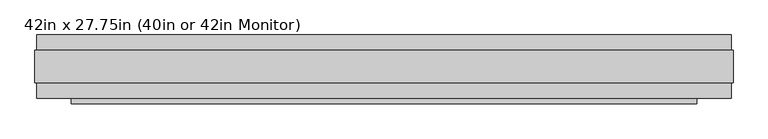
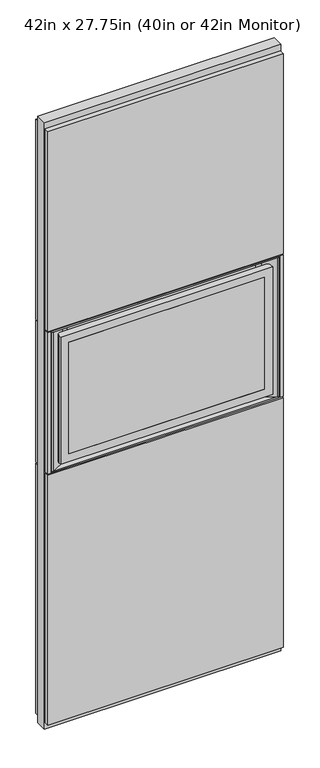
"""IFC4 building model written with IfcOpenShell, lengths in millimetres: plate geometry, 42in x 27.75in (40in or 42in Monitor)."""

from ifc_helpers import new_model, si_unit, point, frame, frame_2d, origin, place, context, project, spatial, polyline, circle_curve, trimmed, segment, composite_curve, outline, extrude, faceted_brep, source, transform, mapped, element, save
from ifc_brep_helpers import plane_surface, cylinder_surface, advanced_brep


def plate_42in_x_27_75in_40in_or_42in_monitor_01c89eb6(model_context):
    return source(origin(), model_context, "Body", "SolidModel", [
        advanced_brep(
        [(495.3, -44.7032, 1936.75), (480.06, -29.4632, 1936.75), (-480.06, -29.4632, 1936.75), (-495.3, -44.7032, 1936.75), (-495.3, -58.9272, 1936.75), (495.3, -58.9272, 1936.75), (495.3, -44.7032, 1308.1), (495.3, -58.9272, 1308.1), (-495.3, -58.9272, 1308.1), (-495.3, -44.7032, 1308.1), (-480.06, -29.4632, 1308.1), (480.06, -29.4632, 1308.1), (-457.2, -58.9272, 1346.2), (-457.2, -58.9272, 1898.65), (457.2, -58.9272, 1898.65), (457.2, -58.9272, 1346.2), (-457.2, -56.3872, 1898.65), (-457.2, -56.3872, 1346.2), (457.2, -56.3872, 1346.2), (457.2, -56.3872, 1898.65)],
        [
            (0, 1, circle_curve(frame((480.06, -44.7032, 1936.75), z_axis=(0.0, 0.0, 1.0), x_axis=(0.0, -1.0000000000000007, 0.0)), 15.24)),
            (1, 2),
            (2, 3, circle_curve(frame((-480.06, -44.7032, 1936.75), z_axis=(0.0, 0.0, 1.0), x_axis=(0.0, -1.0000000000000007, 0.0)), 15.24)),
            (3, 4),
            (4, 5),
            (5, 0),
            (6, 7),
            (7, 8),
            (8, 9),
            (9, 10, circle_curve(frame((-480.06, -44.7032, 1308.1), z_axis=(0.0, 0.0, -1.0), x_axis=(0.0, -1.0000000000000007, 0.0)), 15.24)),
            (10, 11),
            (11, 6, circle_curve(frame((480.06, -44.7032, 1308.1), z_axis=(0.0, 0.0, -1.0), x_axis=(0.0, -1.0000000000000007, 0.0)), 15.24)),
            (0, 6),
            (11, 1),
            (10, 2),
            (9, 3),
            (8, 4),
            (7, 5),
            (12, 13),
            (13, 14),
            (14, 15),
            (15, 12),
            (16, 17),
            (17, 18),
            (18, 19),
            (19, 16),
            (16, 13),
            (12, 17),
            (15, 18),
            (14, 19),
        ],
        [
            plane_surface(frame((480.06, -59.9432, 1936.75), z_axis=(0.0, 0.0, 1.0), x_axis=(1.0, 0.0, 0.0))),
            plane_surface(frame((480.06, -59.9432, 1308.1), z_axis=(0.0, 0.0, -1.0), x_axis=(-1.0, 0.0, 0.0))),
            cylinder_surface(frame((480.06, -44.7032, 1308.1), z_axis=(0.0, 0.0, 1.0), x_axis=(0.0, -1.0000000000000007, 0.0)), 15.24),
            plane_surface(frame((480.06, -29.4632, 1936.75), z_axis=(0.0, 1.0, 0.0), x_axis=(0.0, 0.0, -1.0))),
            cylinder_surface(frame((-480.06, -44.7032, 1308.1), z_axis=(0.0, 0.0, 1.0), x_axis=(0.0, -1.0000000000000007, 0.0)), 15.24),
            plane_surface(frame((-495.3, -44.7032, 1936.75), z_axis=(-1.0, 0.0, 0.0), x_axis=(0.0, 0.0, -1.0))),
            plane_surface(frame((-495.3, -58.9272, 1936.75), z_axis=(0.0, -1.0, 0.0), x_axis=(0.0, 0.0, -1.0))),
            plane_surface(frame((495.3, -58.9272, 1936.75), z_axis=(1.0, 0.0, 0.0), x_axis=(0.0, 0.0, -1.0))),
            plane_surface(frame((-457.2, -56.3872, 1898.65), z_axis=(0.0, -1.0, 0.0), x_axis=(0.0, 0.0, 1.0))),
            plane_surface(frame((-457.2, -58.9272, 1898.65), z_axis=(1.0, 0.0, 0.0), x_axis=(0.0, 1.0, 0.0))),
            plane_surface(frame((-457.2, -58.9272, 1346.2), z_axis=(0.0, 0.0, 1.0), x_axis=(0.0, 1.0, 0.0))),
            plane_surface(frame((457.2, -58.9272, 1346.2), z_axis=(-1.0, 0.0, 0.0), x_axis=(0.0, 1.0, 0.0))),
            plane_surface(frame((457.2, -58.9272, 1898.65), z_axis=(0.0, 0.0, -1.0), x_axis=(0.0, 1.0, 0.0))),
        ],
        [
            (0, [[1, 2, 3, 4, 5, 6]]),
            (1, [[7, 8, 9, 10, 11, 12]]),
            (2, [[-1, 13, -12, 14]]),
            (3, [[-2, -14, -11, 15]]),
            (4, [[-3, -15, -10, 16]]),
            (5, [[-4, -16, -9, 17]]),
            (6, [[-5, -17, -8, 18], [19, 20, 21, 22]]),
            (7, [[-6, -18, -7, -13]]),
            (8, [[23, 24, 25, 26]]),
            (9, [[-23, 27, -19, 28]]),
            (10, [[-24, -28, -22, 29]]),
            (11, [[-25, -29, -21, 30]]),
            (12, [[-26, -30, -20, -27]]),
        ],
    ),
        extrude(outline(polyline([(457.2, -58.9272), (-457.2, -58.9272), (-457.2, -56.3872), (457.2, -56.3872), (457.2, -58.9272)])), frame((0.0, 0.0, 1346.2), z_axis=(0.0, 0.0, 1.0), x_axis=(1.0, 0.0, 0.0)), (0.0, 0.0, 1.0), 552.45),
        extrude(outline(polyline([(-549.4401, -25.9961), (549.4401, -25.9961), (549.4401, -49.9991), (-549.4401, -49.9991), (-549.4401, -25.9961)])), frame((0.0, 0.0, 1977.8599), z_axis=(0.0, 0.0, 1.0), x_axis=(1.0, 0.0, 0.0)), (0.0, 0.0, 1.0), 987.3361),
        extrude(outline(polyline([(-549.4401, -25.9961), (-536.4099, -25.9961), (-536.4099, -49.9991), (-549.4401, -49.9991), (-549.4401, -25.9961)])), frame((0.0, 0.0, 1273.0099), z_axis=(0.0, 0.0, 1.0), x_axis=(1.0, 0.0, 0.0)), (0.0, 0.0, 1.0), 698.8302),
        extrude(outline(polyline([(536.4099, -25.9961), (549.4401, -25.9961), (549.4401, -49.9991), (536.4099, -49.9991), (536.4099, -25.9961)])), frame((0.0, 0.0, 1273.0099), z_axis=(0.0, 0.0, 1.0), x_axis=(1.0, 0.0, 0.0)), (0.0, 0.0, 1.0), 698.8302),
        extrude(outline(polyline([(549.4401, 25.9977), (-549.4401, 25.9977), (-549.4401, 50.0007), (549.4401, 50.0007), (549.4401, 25.9977)])), frame((0.0, 0.0, 32.004), z_axis=(0.0, 0.0, 1.0), x_axis=(1.0, 0.0, 0.0)), (0.0, 0.0, 1.0), 1234.9861),
        extrude(outline(polyline([(549.4401, 25.9977), (-549.4401, 25.9977), (-549.4401, 50.0007), (549.4401, 50.0007), (549.4401, 25.9977)])), frame((0.0, 0.0, 1273.0099), z_axis=(0.0, 0.0, 1.0), x_axis=(1.0, 0.0, 0.0)), (0.0, 0.0, 1.0), 698.8302),
        faceted_brep([(-552.45, -25.9961, 0.0), (552.45, -25.9961, 0.0), (552.45, -25.9961, 2997.2), (-552.45, -25.9961, 2997.2), (-530.3901, -25.9961, 1971.8401), (530.3901, -25.9961, 1971.8401), (530.3901, -25.9961, 1273.0099), (-530.3901, -25.9961, 1273.0099), (-552.45, 25.9977, 0.0), (-552.45, 25.9977, 2997.2), (552.45, 25.9977, 2997.2), (552.45, 25.9977, 0.0), (-530.3901, 0.0008, 1971.8401), (-530.3901, 0.0008, 1273.0099), (530.3901, 0.0008, 1273.0099), (530.3901, 0.0008, 1971.8401)], [[[0, 1, 2, 3], [4, 5, 6, 7]], [[8, 9, 10, 11]], [[1, 0, 8, 11]], [[2, 1, 11, 10]], [[3, 2, 10, 9]], [[0, 3, 9, 8]], [[12, 13, 14, 15]], [[12, 15, 5, 4]], [[15, 14, 6, 5]], [[14, 13, 7, 6]], [[13, 12, 4, 7]]]),
        extrude(outline(polyline([(549.4401, 25.9977), (-549.4401, 25.9977), (-549.4401, 50.0007), (549.4401, 50.0007), (549.4401, 25.9977)])), frame((0.0, 0.0, 1977.8599), z_axis=(0.0, 0.0, 1.0), x_axis=(1.0, 0.0, 0.0)), (0.0, 0.0, 1.0), 987.3361),
        extrude(outline(polyline([(-549.4401, -25.9961), (549.4401, -25.9961), (549.4401, -49.9991), (-549.4401, -49.9991), (-549.4401, -25.9961)])), frame((0.0, 0.0, 32.004), z_axis=(0.0, 0.0, 1.0), x_axis=(1.0, 0.0, 0.0)), (0.0, 0.0, 1.0), 1234.9861),
        extrude(outline(composite_curve([segment(polyline([(524.392043, -49.9991), (465.2596151, -18.6227454)]), True, "CONTINUOUS"), segment(trimmed(circle_curve(frame_2d((440.8888433, -64.5523291)), 51.9948187), [point((465.2596151, -18.6227454))], [point((440.8888433, -12.5575104))], True, "CARTESIAN"), True, "CONTINUOUS"), segment(polyline([(440.8888433, -12.5575104), (-440.8888433, -12.5575104)]), True, "CONTINUOUS"), segment(trimmed(circle_curve(frame_2d((-440.8888433, -64.5523292)), 51.9948188), [point((-440.8888433, -12.5575104))], [point((-465.2596152, -18.6227454))], True, "CARTESIAN"), True, "CONTINUOUS"), segment(polyline([(-465.2596152, -18.6227454), (-524.392043, -49.9991), (-530.3901, -49.9991), (-530.3901, -9.5064623), (530.3901, -9.5064623), (530.3901, -49.9991), (524.392043, -49.9991)]), True, "CONTINUOUS")], self_intersect=False)), frame((0.0, 0.0, 1279.0099945), z_axis=(0.0, 0.0, 1.0), x_axis=(1.0, 0.0, 0.0)), (0.0, 0.0, 1.0), 686.830011),
        extrude(outline(polyline([(530.3901, -49.9991), (-530.3901, -49.9991), (-530.3901, -9.5064623), (530.3901, -9.5064623), (530.3901, -49.9991)])), frame((0.0, 0.0, 1273.0099), z_axis=(0.0, 0.0, 1.0), x_axis=(1.0, 0.0, 0.0)), (0.0, 0.0, 1.0), 6.0000945),
        extrude(outline(polyline([(530.3901, -49.9991), (-530.3901, -49.9991), (-530.3901, -9.5064623), (530.3901, -9.5064623), (530.3901, -49.9991)])), frame((0.0, 0.0, 1965.8400055), z_axis=(0.0, 0.0, 1.0), x_axis=(1.0, 0.0, 0.0)), (0.0, 0.0, 1.0), 6.0000945),
    ])


if __name__ == "__main__":
    model = new_model("IFC4")
    model_context = context("Model", 3, world=origin())
    ifc_project = project(units=[si_unit("LENGTHUNIT", "METRE", prefix="MILLI")], contexts=[model_context])
    site = spatial("IfcSite", under=ifc_project)
    building = spatial("IfcBuilding", under=site)
    placement = place(None, origin())
    plate_42in_x_27_75in_40in_or_42in_monitor_shape = plate_42in_x_27_75in_40in_or_42in_monitor_01c89eb6(model_context)
    element("IfcPlate", 1, ObjectType="42in x 27.75in (40in or 42in Monitor)", at=placement, inside=building, context=model_context, shape_type="MappedRepresentation", body=[
        mapped(plate_42in_x_27_75in_40in_or_42in_monitor_shape, transform((0.0, 0.0, 0.0), x_axis=(1.0, 0.0, 0.0), y_axis=(0.0, 1.0, 0.0), z_axis=(0.0, 0.0, 1.0))),
    ])
    save(model, "model.ifc")
